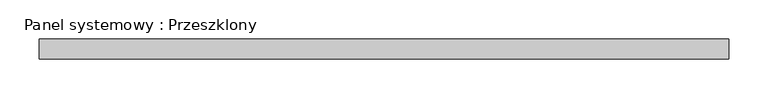
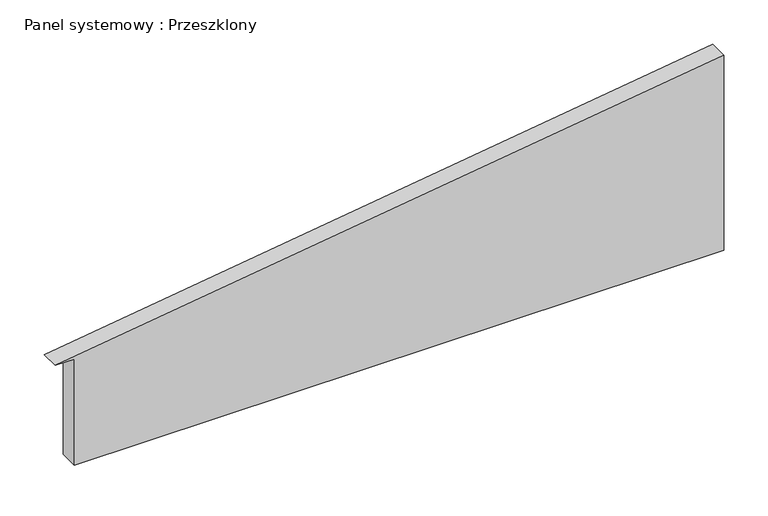
"""IFC4 building model written with IfcOpenShell, lengths in millimetres: plate geometry, Panel systemowy : Przeszklony."""

from ifc_helpers import new_model, si_unit, frame, origin, place, context, project, spatial, polyline, outline, extrude, source, transform, mapped, element, save


def panel_systemowy_przeszklony_e07ca812(model_context):
    return source(origin(), model_context, "Body", "SweptSolid", [
        extrude(outline(polyline([(0.0, -412.5), (0.0, 437.5), (269.9105477, 437.5), (146.8691656, -437.5), (146.8691656, -412.5), (0.0, -412.5)])), frame((0.0, 24.5, 0.0), z_axis=(0.0, 1.0, 0.0), x_axis=(0.0, 0.0, 1.0)), (0.0, 0.0, 1.0), 25.0),
    ])


if __name__ == "__main__":
    model = new_model("IFC4")
    model_context = context("Model", 3, world=origin())
    ifc_project = project(units=[si_unit("LENGTHUNIT", "METRE", prefix="MILLI")], contexts=[model_context])
    site = spatial("IfcSite", under=ifc_project)
    building = spatial("IfcBuilding", under=site)
    placement = place(None, origin())
    panel_systemowy_przeszklony_shape = panel_systemowy_przeszklony_e07ca812(model_context)
    element("IfcPlate", 1, ObjectType="Panel systemowy : Przeszklony", at=placement, inside=building, context=model_context, shape_type="MappedRepresentation", body=[
        mapped(panel_systemowy_przeszklony_shape, transform((0.0, 0.0, 0.0), x_axis=(1.0, 0.0, 0.0), y_axis=(0.0, 1.0, 0.0), z_axis=(0.0, 0.0, 1.0))),
    ])
    save(model, "model.ifc")
